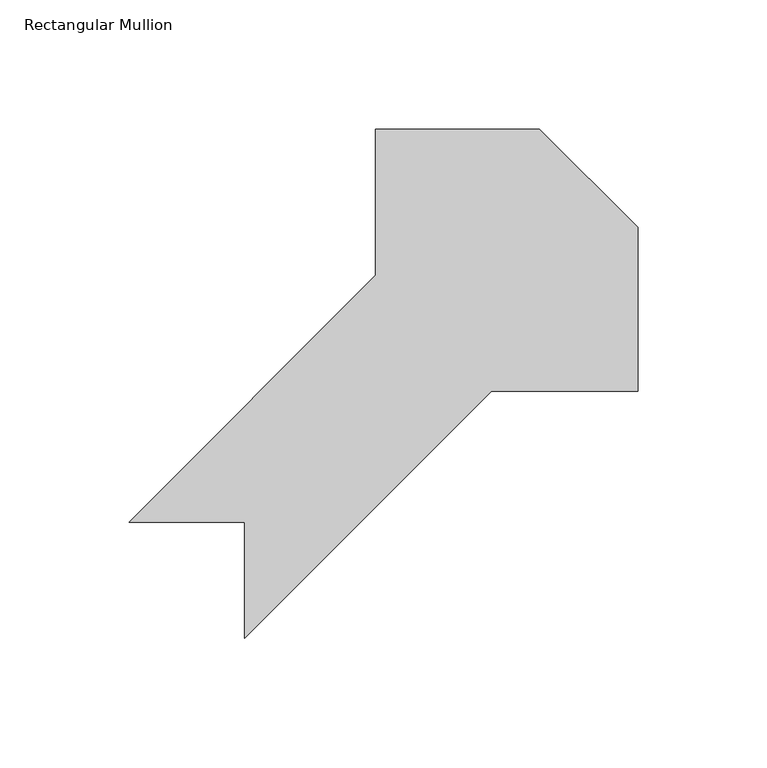
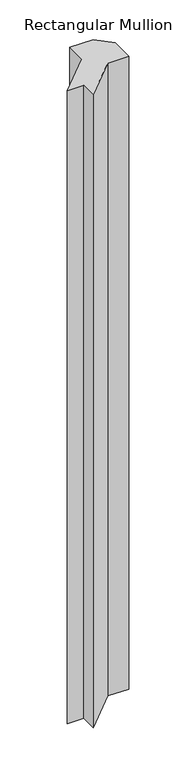
"""IFC4 building model written with IfcOpenShell, lengths in millimetres: member geometry, Rectangular Mullion."""

from ifc_helpers import new_model, si_unit, frame, origin, place, context, project, spatial, polyline, outline, extrude, source, transform, mapped, element, save


def rectangular_mullion_059929d3(model_context):
    return source(origin(), model_context, "Body", "SweptSolid", [
        extrude(outline(polyline([(-123.7794391, -168.7262806), (-123.7794391, -123.825), (-168.6807197, -123.825), (-72.9794391, -28.1237194), (-72.9794391, 28.575), (-9.4794481, 28.575), (28.6205609, -9.525009), (28.6205609, -73.025), (-28.0781585, -73.025), (-123.7794391, -168.7262806)])), frame((0.0, 0.0, -1828.8), z_axis=(0.0, 0.0, 1.0), x_axis=(1.0, 0.0, 0.0)), (0.0, 0.0, 1.0), 1828.8),
    ])


if __name__ == "__main__":
    model = new_model("IFC4")
    model_context = context("Model", 3, world=origin())
    ifc_project = project(units=[si_unit("LENGTHUNIT", "METRE", prefix="MILLI")], contexts=[model_context])
    site = spatial("IfcSite", under=ifc_project)
    building = spatial("IfcBuilding", under=site)
    placement = place(None, origin())
    rectangular_mullion_shape = rectangular_mullion_059929d3(model_context)
    element("IfcMember", 1, ObjectType="Rectangular Mullion", at=placement, inside=building, context=model_context, shape_type="MappedRepresentation", body=[
        mapped(rectangular_mullion_shape, transform((0.0, 0.0, 0.0), x_axis=(1.0, 0.0, 0.0), y_axis=(0.0, 1.0, 0.0), z_axis=(0.0, 0.0, 1.0))),
    ])
    save(model, "model.ifc")
